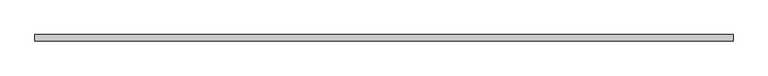
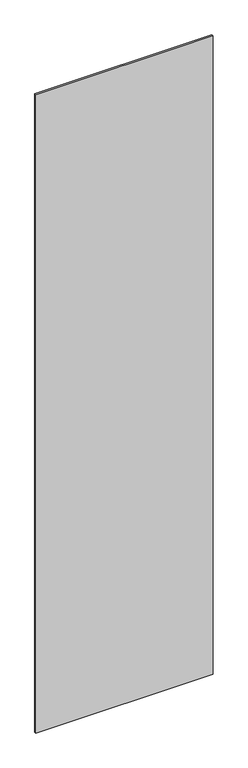
"""IFC4 building model written with IfcOpenShell, lengths in millimetres: plate geometry."""

from ifc_helpers import new_model, si_unit, origin, origin_with_axes, place, context, project, spatial, polyline, outline, extrude, source, transform, mapped, element, save


def plate_86cfdeea(model_context):
    return source(origin(), model_context, "Body", "SweptSolid", [
        extrude(outline(polyline([(572.5, -5.0), (-572.5, -5.0), (-572.5, 5.0), (572.5, 5.0), (572.5, -5.0)])), origin_with_axes(), (0.0, 0.0, 1.0), 4360.0),
    ])


if __name__ == "__main__":
    model = new_model("IFC4")
    model_context = context("Model", 3, world=origin())
    ifc_project = project(units=[si_unit("LENGTHUNIT", "METRE", prefix="MILLI")], contexts=[model_context])
    site = spatial("IfcSite", under=ifc_project)
    building = spatial("IfcBuilding", under=site)
    placement = place(None, origin())
    plate_shape = plate_86cfdeea(model_context)
    element("IfcPlate", 1, at=placement, inside=building, context=model_context, shape_type="MappedRepresentation", body=[
        mapped(plate_shape, transform((0.0, 0.0, 0.0), x_axis=(1.0, 0.0, 0.0), y_axis=(0.0, 1.0, 0.0), z_axis=(0.0, 0.0, 1.0))),
    ])
    save(model, "model.ifc")
